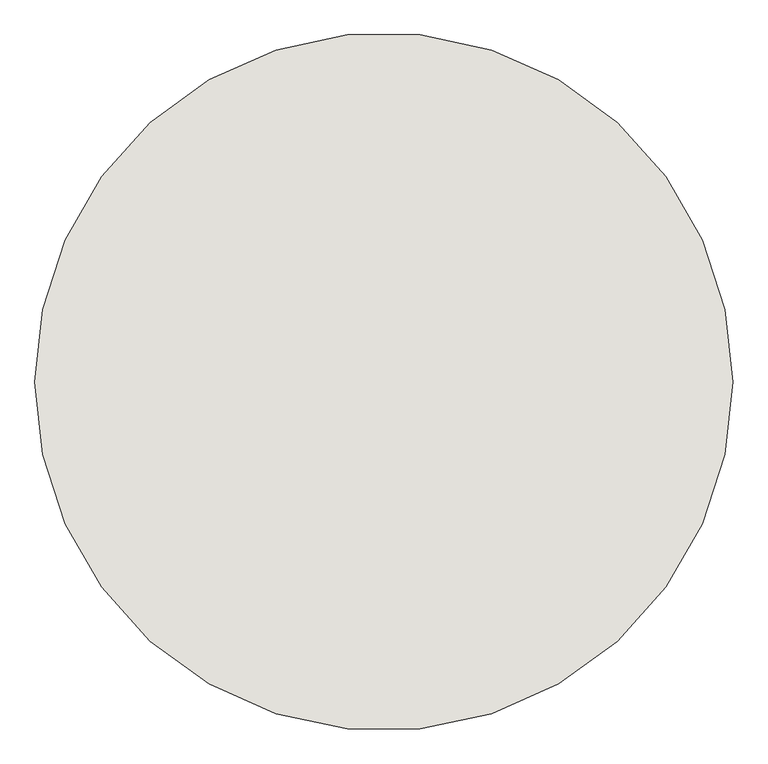
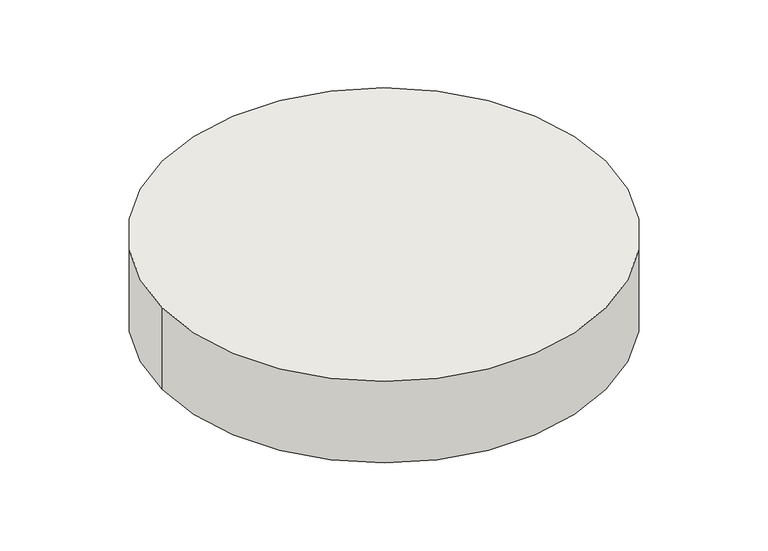
"""IFC4 building model written with IfcOpenShell, lengths in millimetres: wall geometry."""

from ifc_helpers import new_model, si_unit, point, frame, frame_2d, origin, place, context, project, spatial, circle_curve, trimmed, segment, composite_curve, outline, extrude, source, transform, mapped, element, save


def wall_416f55c1(model_context):
    return source(origin(), model_context, "Body", "SweptSolid", [
        extrude(outline(composite_curve([segment(trimmed(circle_curve(frame_2d((-76352.4362358, 125583.9516004)), 1000.0), [point((-77352.4362358, 125583.9516004))], [point((-75352.4362358, 125583.9516004))], False, "CARTESIAN"), True, "CONTINUOUS"), segment(trimmed(circle_curve(frame_2d((-76352.4362358, 125583.9516004)), 1000.0), [point((-75352.4362358, 125583.9516004))], [point((-77352.4362358, 125583.9516004))], False, "CARTESIAN"), True, "CONTINUOUS")], self_intersect=False)), frame((0.0, 0.0, -2428.6293276), z_axis=(0.0, 0.0, 1.0), x_axis=(1.0, 0.0, 0.0)), (0.0, 0.0, 1.0), 388.7817141),
    ])


if __name__ == "__main__":
    model = new_model("IFC4")
    model_context = context("Model", 3, world=origin())
    ifc_project = project(units=[si_unit("LENGTHUNIT", "METRE", prefix="MILLI")], contexts=[model_context])
    site = spatial("IfcSite", under=ifc_project)
    building = spatial("IfcBuilding", under=site)
    placement = place(None, origin())
    wall_shape = wall_416f55c1(model_context)
    element("IfcWall", 1, at=placement, inside=building, context=model_context, shape_type="MappedRepresentation", body=[
        mapped(wall_shape, transform((0.0, 0.0, 0.0), x_axis=(1.0, 0.0, 0.0), y_axis=(0.0, 1.0, 0.0), z_axis=(0.0, 0.0, 1.0))),
    ])
    save(model, "model.ifc")
